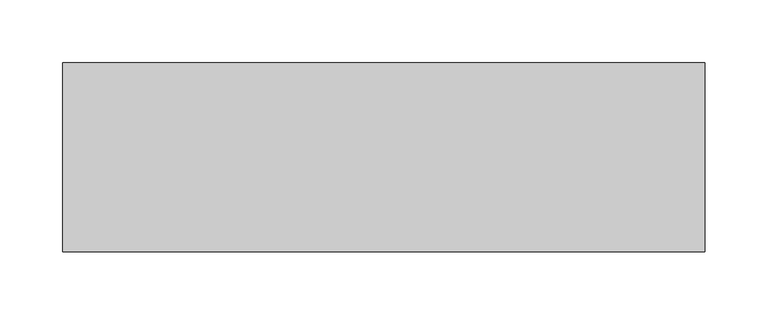
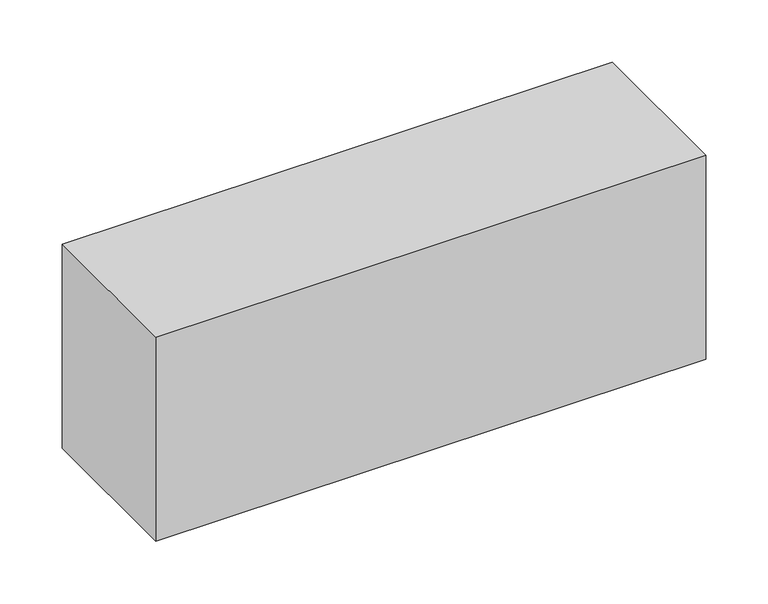
"""IFC4 building model written with IfcOpenShell, lengths in millimetres: proxy geometry."""

from ifc_helpers import new_model, si_unit, frame, origin, place, context, project, spatial, polyline, outline, extrude, source, transform, mapped, element, save


def generic_models_5cc5f64c(model_context):
    return source(origin(), model_context, "Body", "SweptSolid", [
        extrude(outline(polyline([(255.0, 75.0), (255.0, -75.0), (-255.0, -75.0), (-255.0, 75.0), (255.0, 75.0)])), frame((0.0, 0.0, -200.0), z_axis=(0.0, 0.0, 1.0), x_axis=(1.0, 0.0, 0.0)), (0.0, 0.0, 1.0), 200.0),
    ])


if __name__ == "__main__":
    model = new_model("IFC4")
    model_context = context("Model", 3, world=origin())
    ifc_project = project(units=[si_unit("LENGTHUNIT", "METRE", prefix="MILLI")], contexts=[model_context])
    site = spatial("IfcSite", under=ifc_project)
    building = spatial("IfcBuilding", under=site)
    placement = place(None, origin())
    generic_models_shape = generic_models_5cc5f64c(model_context)
    element("IfcBuildingElementProxy", 1, Name="Generic Models", at=placement, inside=building, context=model_context, shape_type="MappedRepresentation", body=[
        mapped(generic_models_shape, transform((0.0, 0.0, 0.0), x_axis=(1.0, 0.0, 0.0), y_axis=(0.0, 1.0, 0.0), z_axis=(0.0, 0.0, 1.0))),
    ])
    save(model, "model.ifc")
